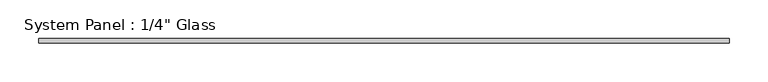
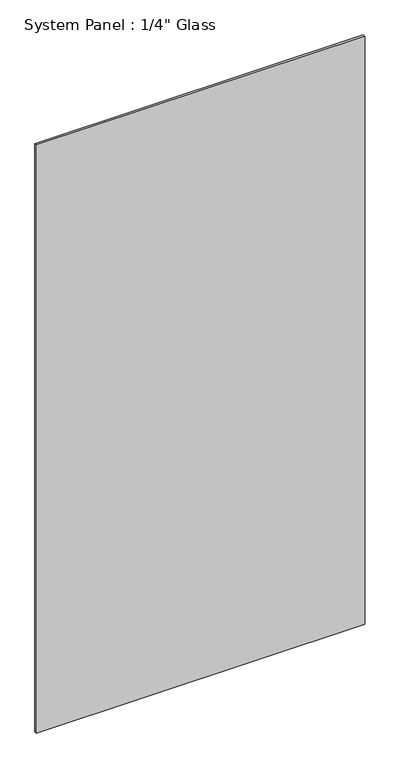
"""IFC4 building model written with IfcOpenShell, lengths in millimetres: plate geometry."""

import ifcopenshell
import ifcopenshell.guid

model = None  # the IFC model being written
_history = None  # IfcOwnerHistory: only IFC2X3 demands one
_inside = {}  # id of a spatial element -> (the spatial element, [elements in it])
_under = {}  # id of a project, library or spatial element -> (it, [spatial elements below it])
_declared = {}  # id of a project -> (the project, [libraries it declares])
_typed = {}  # id of a type object -> (the type object, [elements of that type])
_made_of = {}  # id of a material, layer set ... -> (it, [elements and type objects made of it])


def new_model(schema):
    """Start an empty IFC model of exactly this schema.

    Asked for "IFC4X3", IfcOpenShell would pick the latest addendum, in which some entities
    have other attributes; the version numbers below select the first issue.
    IFC2X3 requires an IfcOwnerHistory on every rooted entity: one is made here for all.
    """
    global model, _history
    if schema == "IFC4X3":
        model = ifcopenshell.file(schema_version=(4, 3, 0, 0))
    else:
        model = ifcopenshell.file(schema=schema)
    _inside.clear()
    _under.clear()
    _declared.clear()
    _typed.clear()
    _made_of.clear()
    _history = None
    if model.schema == "IFC2X3":
        org = make("IfcOrganization", Name="unknown")
        user = make(
            "IfcPersonAndOrganization",
            ThePerson=make("IfcPerson", FamilyName="unknown"),
            TheOrganization=org,
        )
        app = make(
            "IfcApplication",
            ApplicationDeveloper=org,
            Version="unknown",
            ApplicationFullName="unknown",
            ApplicationIdentifier="unknown",
        )
        _history = make(
            "IfcOwnerHistory",
            OwningUser=user,
            OwningApplication=app,
            ChangeAction="ADDED",
            CreationDate=0,
        )
    return model


def make(cls, **values):
    """One entity of the class cls with the attributes given. An attribute that is None is left unset."""
    return model.create_entity(
        cls, **{name: value for name, value in values.items() if value is not None}
    )


def rooted(cls, **values):
    """An entity with a GlobalId (a new one), such as an element, a storey or a relation."""
    return make(cls, GlobalId=ifcopenshell.guid.new(), OwnerHistory=_history, **values)


def si_unit(unit_type, name, prefix=None):
    """IfcSIUnit, for example si_unit("LENGTHUNIT", "METRE", prefix="MILLI")."""
    return make("IfcSIUnit", UnitType=unit_type, Prefix=prefix, Name=name)


def assignment(units):
    """IfcUnitAssignment: the units of a project."""
    return None if units is None else make("IfcUnitAssignment", Units=units)


def point(xyz):
    """IfcCartesianPoint."""
    return None if xyz is None else make("IfcCartesianPoint", Coordinates=xyz)


def direction(xyz):
    """IfcDirection."""
    return None if xyz is None else make("IfcDirection", DirectionRatios=xyz)


def frame(location, z_axis=None, x_axis=None):
    """IfcAxis2Placement3D, a coordinate frame: its origin and axes. An axis left out is left unset."""
    return make(
        "IfcAxis2Placement3D",
        Location=point(location),
        Axis=direction(z_axis),
        RefDirection=direction(x_axis),
    )


def origin():
    """The frame at (0, 0, 0) with its axes left unset."""
    return frame((0.0, 0.0, 0.0))


def origin_with_axes():
    """The frame at (0, 0, 0) with the z axis (0, 0, 1) and the x axis (1, 0, 0) written out."""
    return frame((0.0, 0.0, 0.0), z_axis=(0.0, 0.0, 1.0), x_axis=(1.0, 0.0, 0.0))


def place(relative_to, where):
    """IfcLocalPlacement: puts the frame where relative to a parent placement (None: the world)."""
    return make(
        "IfcLocalPlacement", PlacementRelTo=relative_to, RelativePlacement=where
    )


def context(
    kind, dimensions, precision=None, world=None, true_north=None, identifier=None
):
    """IfcGeometricRepresentationContext, for example the 3D "Model" context."""
    return make(
        "IfcGeometricRepresentationContext",
        ContextIdentifier=identifier,
        ContextType=kind,
        CoordinateSpaceDimension=dimensions,
        Precision=precision,
        WorldCoordinateSystem=world,
        TrueNorth=true_north,
    )


def project(units=None, contexts=None):
    """IfcProject with its units and contexts."""
    return rooted(
        "IfcProject",
        Name="project",
        RepresentationContexts=contexts,
        UnitsInContext=assignment(units),
    )


def spatial(cls, under=None, at=None, **own):
    """A site, building, storey or space (cls), placed at a placement, below another one or the project."""
    s = rooted(cls, ObjectPlacement=at, **own)
    if under is not None:
        _under.setdefault(under.id(), (under, []))[1].append(s)
    return s


def polyline(points):
    """IfcPolyline through the points."""
    return make("IfcPolyline", Points=[point(p) for p in points])


def outline(outer, holes=None, kind="AREA"):
    """IfcArbitraryClosedProfileDef: a profile drawn as a closed curve; with holes, ...WithVoids."""
    if holes is None:
        return make("IfcArbitraryClosedProfileDef", ProfileType=kind, OuterCurve=outer)
    return make(
        "IfcArbitraryProfileDefWithVoids",
        ProfileType=kind,
        OuterCurve=outer,
        InnerCurves=holes,
    )


def extrude(swept, where, along, depth):
    """IfcExtrudedAreaSolid: the profile swept, set in the frame where, extruded along a direction by depth."""
    return make(
        "IfcExtrudedAreaSolid",
        SweptArea=swept,
        Position=where,
        ExtrudedDirection=direction(along),
        Depth=depth,
    )


def shape(context_of_items, identifier, shape_type, items):
    """IfcShapeRepresentation: the items that make up one representation, for example the "Body"."""
    return make(
        "IfcShapeRepresentation",
        ContextOfItems=context_of_items,
        RepresentationIdentifier=identifier,
        RepresentationType=shape_type,
        Items=items,
    )


def source(mapping_origin, context_of_items, identifier, shape_type, items):
    """IfcRepresentationMap: a shape defined once, which mapped items show again and again."""
    return make(
        "IfcRepresentationMap",
        MappingOrigin=mapping_origin,
        MappedRepresentation=shape(context_of_items, identifier, shape_type, items),
    )


def transform(
    local_origin,
    x_axis=None,
    y_axis=None,
    z_axis=None,
    scale=None,
    scale2=None,
    scale3=None,
    uniform=True,
):
    """IfcCartesianTransformationOperator3D, or its non-uniform kind. x_axis, y_axis, z_axis: its Axis1, 2, 3."""
    if uniform:
        return make(
            "IfcCartesianTransformationOperator3D",
            Axis1=direction(x_axis),
            Axis2=direction(y_axis),
            LocalOrigin=point(local_origin),
            Scale=scale,
            Axis3=direction(z_axis),
        )
    return make(
        "IfcCartesianTransformationOperator3DnonUniform",
        Axis1=direction(x_axis),
        Axis2=direction(y_axis),
        LocalOrigin=point(local_origin),
        Scale=scale,
        Axis3=direction(z_axis),
        Scale2=scale2,
        Scale3=scale3,
    )


def mapped(mapping_source, mapping_target):
    """IfcMappedItem: shows the shape of a source again, moved by a transform."""
    return make(
        "IfcMappedItem", MappingSource=mapping_source, MappingTarget=mapping_target
    )


def made_of(thing, what):
    """Note that an element or type object is made of a material, layer set ...; save() writes the relation."""
    if what is not None:
        _made_of.setdefault(what.id(), (what, []))[1].append(thing)
    return thing


def element(
    cls,
    number,
    at=None,
    inside=None,
    cuts=None,
    type_object=None,
    material=None,
    context=None,
    identifier="Body",
    shape_type=None,
    held_by="IfcProductDefinitionShape",
    body=None,
    shapes=None,
    **own,
):
    """One element of the class cls, such as IfcWall. Its Tag is "e" and its number.

    at: its placement. inside: the storey or other place that contains it. cuts: it is an
    opening in that element (IfcRelVoidsElement). A single representation is given by context,
    identifier, shape_type and body (its items); several are given by shapes. held_by: the class
    of the entity that holds the representations. save() writes the other relations.
    """
    e = rooted(cls, Tag="e%d" % number, ObjectPlacement=at, **own)
    if body is not None:
        shapes = [shape(context, identifier, shape_type, body)]
    if shapes is not None:
        e.Representation = make(held_by, Representations=shapes)
    if inside is not None:
        _inside.setdefault(inside.id(), (inside, []))[1].append(e)
    if cuts is not None:
        rooted(
            "IfcRelVoidsElement", RelatingBuildingElement=cuts, RelatedOpeningElement=e
        )
    if type_object is not None:
        _typed.setdefault(type_object.id(), (type_object, []))[1].append(e)
    return made_of(e, material)


def aggregate(whole, parts):
    """IfcRelAggregates: a whole, such as a stair, and the parts it consists of."""
    return rooted("IfcRelAggregates", RelatingObject=whole, RelatedObjects=parts)


def save(model, path):
    """Write the relations noted so far, then the file.

    IfcRelAggregates (storeys below a building ...), IfcRelContainedInSpatialStructure (elements
    in a storey), IfcRelDefinesByType, IfcRelAssociatesMaterial and IfcRelDeclares: one each for
    every whole, place, type object, material and project.
    """
    for whole, parts in _under.values():
        aggregate(whole, parts)
    for where, things in _inside.values():
        rooted(
            "IfcRelContainedInSpatialStructure",
            RelatedElements=things,
            RelatingStructure=where,
        )
    for kind, things in _typed.values():
        rooted("IfcRelDefinesByType", RelatedObjects=things, RelatingType=kind)
    for what, things in _made_of.values():
        rooted("IfcRelAssociatesMaterial", RelatedObjects=things, RelatingMaterial=what)
    for by, libraries in _declared.values():
        rooted("IfcRelDeclares", RelatingContext=by, RelatedDefinitions=libraries)
    model.write(path)


def plate_ad442076(model_context):
    return source(origin(), model_context, "Body", "SweptSolid", [
        extrude(outline(polyline([(447.675, -3.175), (-447.675, -3.175), (-447.675, 3.175), (447.675, 3.175), (447.675, -3.175)])), origin_with_axes(), (0.0, 0.0, 1.0), 1695.45),
    ])


if __name__ == "__main__":
    model = new_model("IFC4")
    model_context = context("Model", 3, world=origin())
    ifc_project = project(units=[si_unit("LENGTHUNIT", "METRE", prefix="MILLI")], contexts=[model_context])
    site = spatial("IfcSite", under=ifc_project)
    building = spatial("IfcBuilding", under=site)
    placement = place(None, origin())
    plate_shape = plate_ad442076(model_context)
    element("IfcPlate", 1, ObjectType="System Panel : 1/4\" Glass", at=placement, inside=building, context=model_context, shape_type="MappedRepresentation", body=[
        mapped(plate_shape, transform((0.0, 0.0, 0.0), x_axis=(1.0, 0.0, 0.0), y_axis=(0.0, 1.0, 0.0), z_axis=(0.0, 0.0, 1.0))),
    ])
    save(model, "model.ifc")
